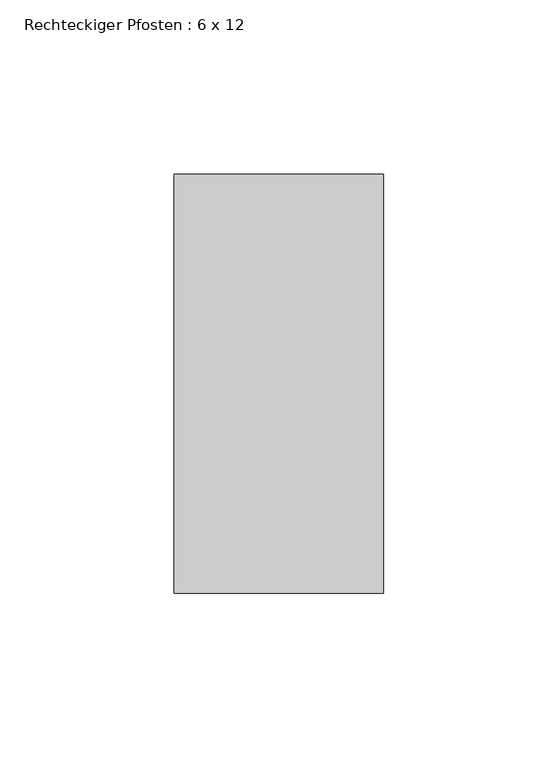
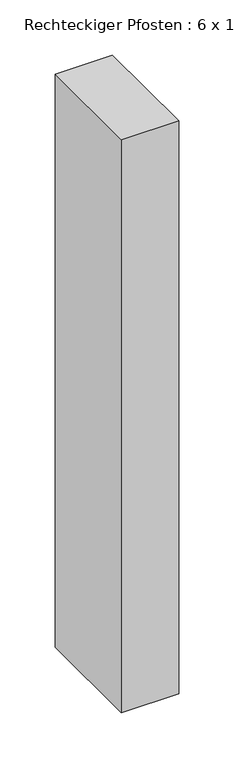
"""IFC4 building model written with IfcOpenShell, lengths in millimetres: member geometry, Rechteckiger Pfosten : 6 x 12."""

from ifc_helpers import new_model, si_unit, frame, origin, place, context, project, spatial, polyline, outline, extrude, source, transform, mapped, element, save


def rechteckiger_pfosten_6_x_12_f9bbaf8d(model_context):
    return source(origin(), model_context, "Body", "SweptSolid", [
        extrude(outline(polyline([(0.0, 60.0), (0.0, -60.0), (-60.0, -60.0), (-60.0, 60.0), (0.0, 60.0)])), frame((0.0, 0.0, -634.3749991), z_axis=(0.0, 0.0, 1.0), x_axis=(1.0, 0.0, 0.0)), (0.0, 0.0, 1.0), 634.3749991),
    ])


if __name__ == "__main__":
    model = new_model("IFC4")
    model_context = context("Model", 3, world=origin())
    ifc_project = project(units=[si_unit("LENGTHUNIT", "METRE", prefix="MILLI")], contexts=[model_context])
    site = spatial("IfcSite", under=ifc_project)
    building = spatial("IfcBuilding", under=site)
    placement = place(None, origin())
    rechteckiger_pfosten_6_x_12_shape = rechteckiger_pfosten_6_x_12_f9bbaf8d(model_context)
    element("IfcMember", 1, ObjectType="Rechteckiger Pfosten : 6 x 12", at=placement, inside=building, context=model_context, shape_type="MappedRepresentation", body=[
        mapped(rechteckiger_pfosten_6_x_12_shape, transform((0.0, 0.0, 0.0), x_axis=(1.0, 0.0, 0.0), y_axis=(0.0, 1.0, 0.0), z_axis=(0.0, 0.0, 1.0))),
    ])
    save(model, "model.ifc")
